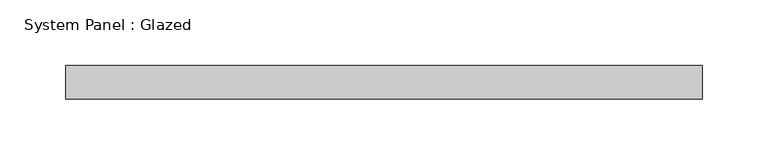
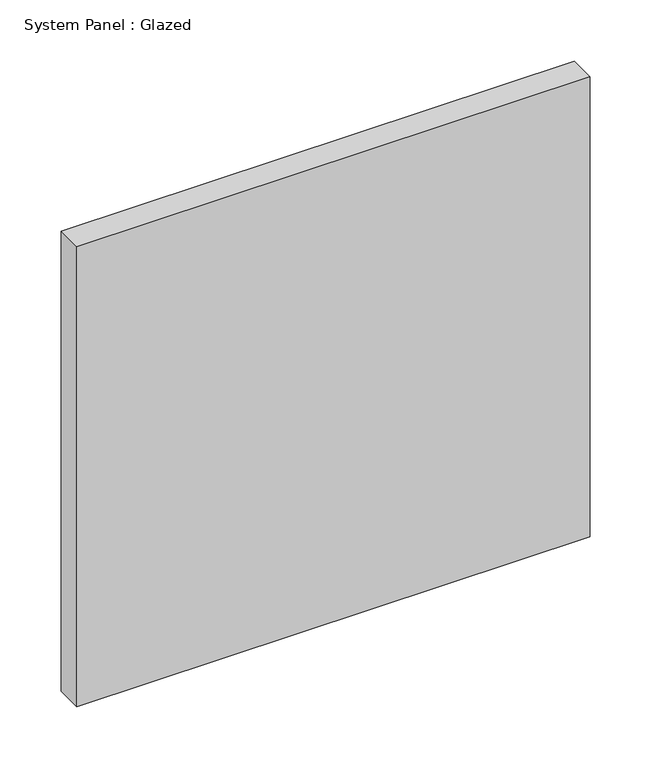
"""IFC4 building model written with IfcOpenShell, lengths in millimetres: plate geometry, System Panel : Glazed."""

from ifc_helpers import new_model, si_unit, origin, origin_with_axes, place, context, project, spatial, polyline, outline, extrude, source, transform, mapped, element, save


def system_panel_glazed_eccaea67(model_context):
    return source(origin(), model_context, "Body", "SweptSolid", [
        extrude(outline(polyline([(241.3, 19.05), (-241.3, 19.05), (-241.3, 44.45), (241.3, 44.45), (241.3, 19.05)])), origin_with_axes(), (0.0, 0.0, 1.0), 457.2),
    ])


if __name__ == "__main__":
    model = new_model("IFC4")
    model_context = context("Model", 3, world=origin())
    ifc_project = project(units=[si_unit("LENGTHUNIT", "METRE", prefix="MILLI")], contexts=[model_context])
    site = spatial("IfcSite", under=ifc_project)
    building = spatial("IfcBuilding", under=site)
    placement = place(None, origin())
    system_panel_glazed_shape = system_panel_glazed_eccaea67(model_context)
    element("IfcPlate", 1, ObjectType="System Panel : Glazed", at=placement, inside=building, context=model_context, shape_type="MappedRepresentation", body=[
        mapped(system_panel_glazed_shape, transform((0.0, 0.0, 0.0), x_axis=(1.0, 0.0, 0.0), y_axis=(0.0, 1.0, 0.0), z_axis=(0.0, 0.0, 1.0))),
    ])
    save(model, "model.ifc")
